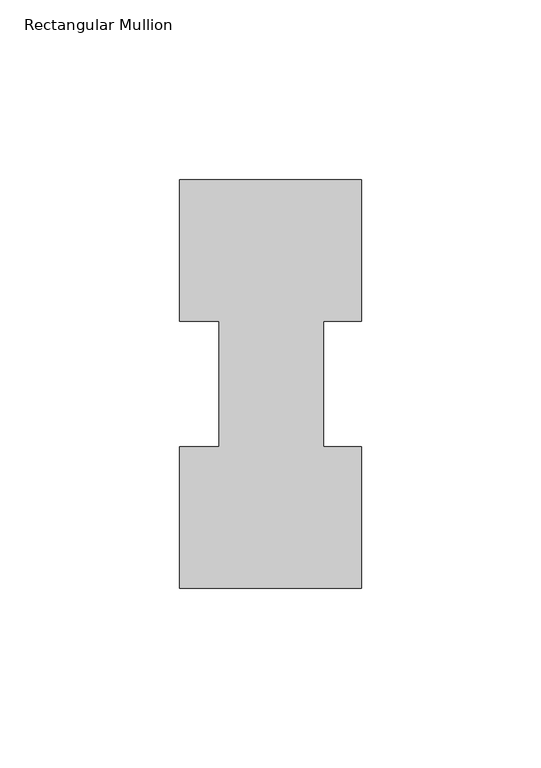
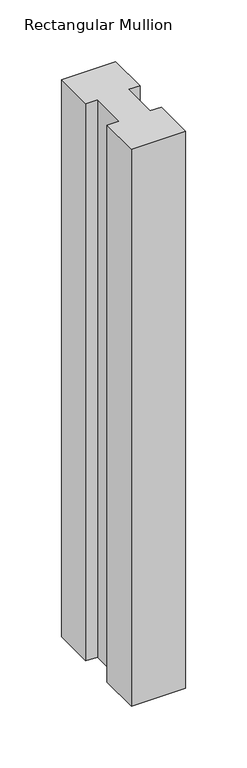
"""IFC4 building model written with IfcOpenShell, lengths in millimetres: member geometry, Rectangular Mullion."""

from ifc_helpers import new_model, si_unit, frame, origin, place, context, project, spatial, polyline, outline, extrude, source, transform, mapped, element, save


def rectangular_mullion_f4900147(model_context):
    return source(origin(), model_context, "Body", "SweptSolid", [
        extrude(outline(polyline([(-50.8, 114.017425), (0.0, 114.017425), (0.0, 74.596625), (-10.5663987, 74.596625), (-10.5663987, 39.620825), (0.0, 39.620825), (0.0, 0.225425), (-50.8, 0.225425), (-50.8, 39.620825), (-39.6875, 39.620825), (-39.6875, 74.596625), (-50.8, 74.596625), (-50.8, 114.017425)])), frame((0.0, 0.0, -552.45), z_axis=(0.0, 0.0, 1.0), x_axis=(1.0, 0.0, 0.0)), (0.0, 0.0, 1.0), 552.45),
    ])


if __name__ == "__main__":
    model = new_model("IFC4")
    model_context = context("Model", 3, world=origin())
    ifc_project = project(units=[si_unit("LENGTHUNIT", "METRE", prefix="MILLI")], contexts=[model_context])
    site = spatial("IfcSite", under=ifc_project)
    building = spatial("IfcBuilding", under=site)
    placement = place(None, origin())
    rectangular_mullion_shape = rectangular_mullion_f4900147(model_context)
    element("IfcMember", 1, ObjectType="Rectangular Mullion", at=placement, inside=building, context=model_context, shape_type="MappedRepresentation", body=[
        mapped(rectangular_mullion_shape, transform((0.0, 0.0, 0.0), x_axis=(1.0, 0.0, 0.0), y_axis=(0.0, 1.0, 0.0), z_axis=(0.0, 0.0, 1.0))),
    ])
    save(model, "model.ifc")
